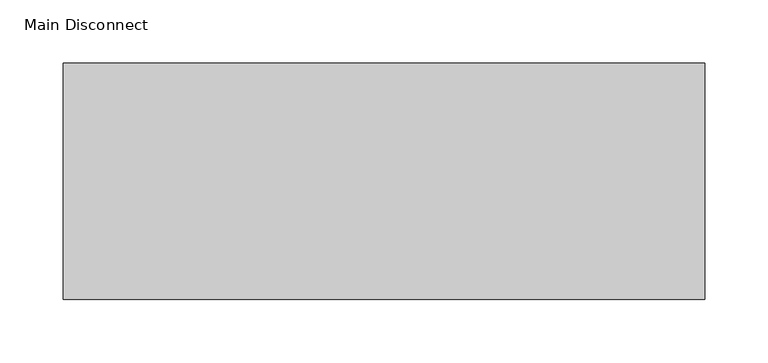
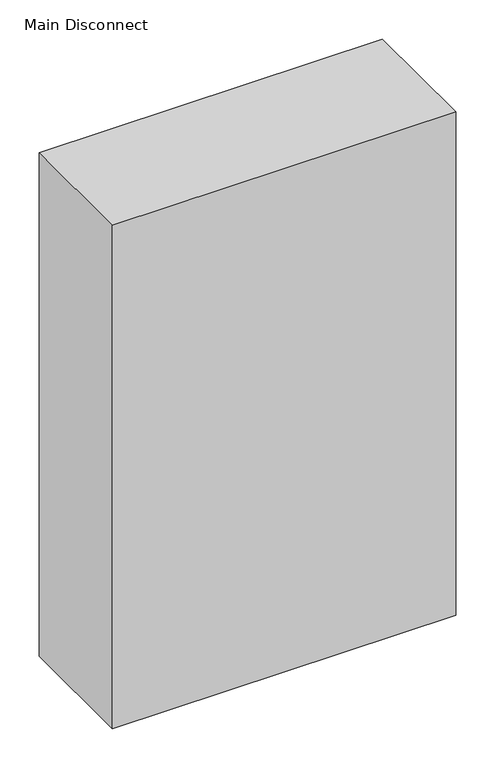
"""IFC4 building model written with IfcOpenShell, lengths in millimetres: proxy geometry, Main Disconnect."""

from ifc_helpers import new_model, si_unit, frame, origin, place, context, project, spatial, polyline, outline, extrude, source, transform, mapped, element, save


def main_disconnect_b7beb223(model_context):
    return source(origin(), model_context, "Body", "SweptSolid", [
        extrude(outline(polyline([(-254.0, -19.177), (-254.0, 168.275), (254.0, 168.275), (254.0, -19.177), (-254.0, -19.177)])), frame((0.0, 0.0, 1219.2), z_axis=(0.0, 0.0, 1.0), x_axis=(1.0, 0.0, 0.0)), (0.0, 0.0, 1.0), 787.4),
    ])


if __name__ == "__main__":
    model = new_model("IFC4")
    model_context = context("Model", 3, world=origin())
    ifc_project = project(units=[si_unit("LENGTHUNIT", "METRE", prefix="MILLI")], contexts=[model_context])
    site = spatial("IfcSite", under=ifc_project)
    building = spatial("IfcBuilding", under=site)
    placement = place(None, origin())
    main_disconnect_shape = main_disconnect_b7beb223(model_context)
    element("IfcBuildingElementProxy", 1, Name="Main Disconnect", ObjectType="Main Disconnect", at=placement, inside=building, context=model_context, shape_type="MappedRepresentation", body=[
        mapped(main_disconnect_shape, transform((0.0, 0.0, 0.0), x_axis=(1.0, 0.0, 0.0), y_axis=(0.0, 1.0, 0.0), z_axis=(0.0, 0.0, 1.0))),
    ])
    save(model, "model.ifc")
